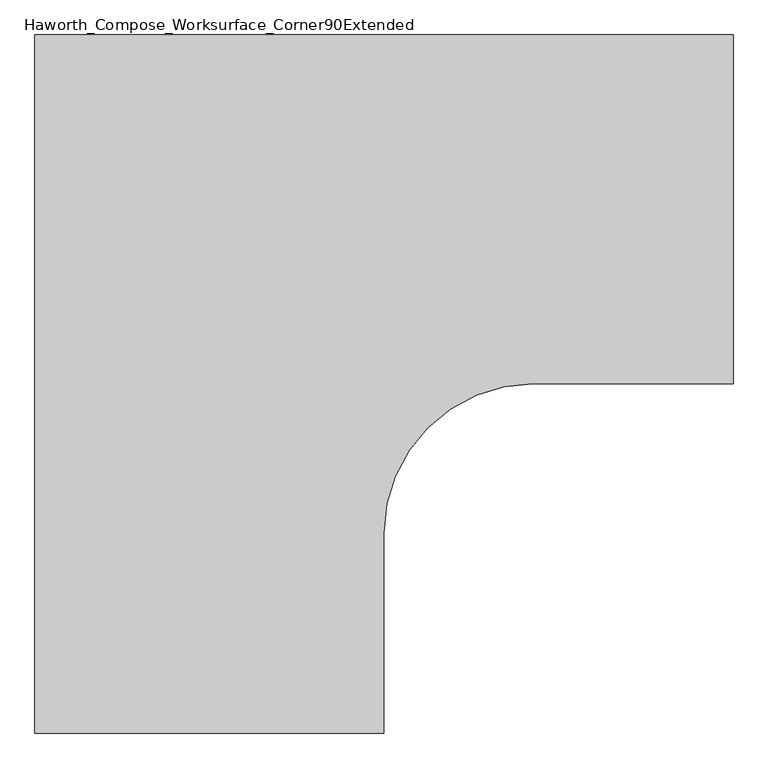
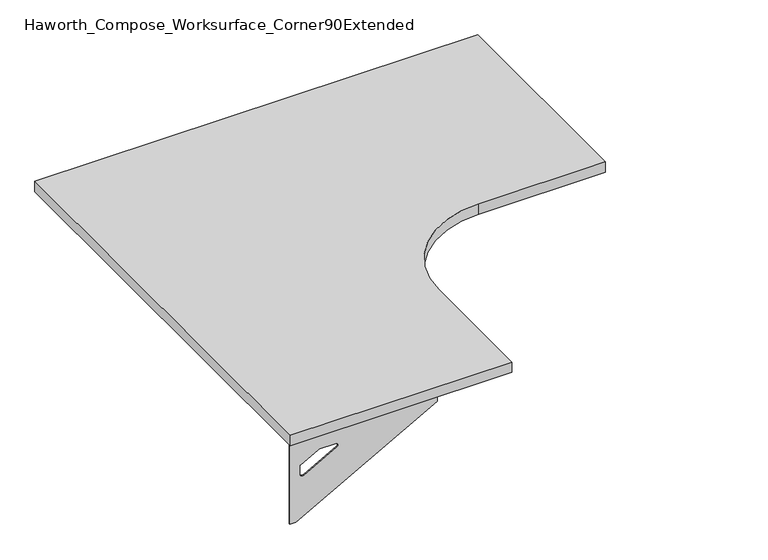
"""IFC4 building model written with IfcOpenShell, lengths in millimetres: furniture geometry, Haworth_Compose_Worksurface_Corner90Extended."""

from ifc_helpers import new_model, si_unit, point, frame, frame_2d, origin, place, context, project, spatial, polyline, circle_curve, trimmed, segment, composite_curve, outline, extrude, source, transform, mapped, element, save
from ifc_brep_helpers import plane_surface, revolved_surface, advanced_brep


def haworth_compose_worksurface_corner90extended_2f9290fc(model_context):
    return source(origin(), model_context, "Body", "SolidModel", [
        advanced_brep(
        [(756.44375, 152.4, 475.45625), (756.44375, 136.525, 475.45625), (756.44375, -254.0, 691.7192568), (756.44375, -254.0, 704.05625), (756.44375, 136.525, 704.05625), (756.44375, 152.4, 704.05625), (756.44375, 69.090072, 665.95625), (756.44375, 25.4355284, 665.95625), (756.44375, 22.7564235, 656.3705539), (756.44375, 114.4776173, 605.5776439), (756.44375, 123.825, 611.1756969), (756.44375, 123.825, 634.6860246), (756.44375, 122.0730055, 637.5242776), (756.44375, 72.1663437, 665.1613425), (758.825, 152.4, 475.45625), (758.825, 152.4, 704.05625), (758.825, 136.525, 704.05625), (758.825, 136.525, 706.4375), (758.825, -254.0, 706.4375), (758.825, -254.0, 691.7192568), (758.825, 136.525, 475.45625), (758.825, 69.090072, 665.95625), (758.825, 72.1663437, 665.1613425), (758.825, 122.0730055, 637.5242776), (758.825, 123.825, 634.6860246), (758.825, 123.825, 611.1756969), (758.825, 114.4776173, 605.5776439), (758.825, 22.7564235, 656.3705539), (758.825, 25.4355284, 665.95625), (717.55, -254.0, 706.4375), (717.55, -254.0, 704.05625), (717.55, 136.525, 704.05625), (717.55, 136.525, 706.4375)],
        [
            (0, 1),
            (1, 2),
            (2, 3),
            (3, 4),
            (4, 5),
            (5, 0),
            (6, 7),
            (7, 8, circle_curve(frame((756.44375, 25.4355284, 660.7890106), z_axis=(1.0, 0.0, 0.0), x_axis=(0.0, -1.0, 0.0)), 5.1672394)),
            (8, 9),
            (9, 10, circle_curve(frame((756.44375, 117.475, 611.1756969), z_axis=(1.0, 0.0, 0.0), x_axis=(0.0, -1.0, 0.0)), 6.35)),
            (10, 11),
            (11, 12, circle_curve(frame((756.44375, 120.65, 634.6860246), z_axis=(1.0, 0.0, 0.0), x_axis=(0.0, -1.0, 0.0)), 3.175)),
            (12, 13),
            (13, 6, circle_curve(frame((756.44375, 69.090072, 659.60625), z_axis=(1.0, 0.0, 0.0), x_axis=(0.0, -1.0, 0.0)), 6.35)),
            (14, 15),
            (15, 16),
            (16, 17),
            (17, 18),
            (18, 19),
            (19, 20),
            (20, 14),
            (21, 22, circle_curve(frame((758.825, 69.090072, 659.60625), z_axis=(-1.0, 0.0, 0.0), x_axis=(0.0, -1.0, 0.0)), 6.35)),
            (22, 23),
            (23, 24, circle_curve(frame((758.825, 120.65, 634.6860246), z_axis=(-1.0, 0.0, 0.0), x_axis=(0.0, -1.0, 0.0)), 3.175)),
            (24, 25),
            (25, 26, circle_curve(frame((758.825, 117.475, 611.1756969), z_axis=(-1.0, 0.0, 0.0), x_axis=(0.0, -1.0, 0.0)), 6.35)),
            (26, 27),
            (27, 28, circle_curve(frame((758.825, 25.4355284, 660.7890106), z_axis=(-1.0, 0.0, 0.0), x_axis=(0.0, -1.0, 0.0)), 5.1672394)),
            (28, 21),
            (4, 16),
            (15, 5),
            (14, 0),
            (20, 1),
            (19, 2),
            (18, 29),
            (29, 30),
            (30, 3),
            (6, 21),
            (28, 7),
            (9, 26),
            (25, 10),
            (24, 11),
            (23, 12),
            (27, 8),
            (31, 4),
            (30, 31),
            (32, 29),
            (17, 32),
            (31, 32),
            (22, 13),
        ],
        [
            plane_surface(frame((756.44375, 152.4, 475.45625), z_axis=(-1.0, 0.0, 0.0), x_axis=(0.0, 1.0, 0.0))),
            plane_surface(frame((758.825, 152.4, 475.45625), z_axis=(1.0, 0.0, 0.0), x_axis=(0.0, -1.0, 0.0))),
            plane_surface(frame((758.825, -254.0, 704.05625), z_axis=(0.0, 0.0, 1.0), x_axis=(-1.0, 0.0, 0.0))),
            plane_surface(frame((758.825, 152.4, 704.05625), z_axis=(0.0, 1.0, 0.0), x_axis=(-1.0, 0.0, 0.0))),
            plane_surface(frame((758.825, 152.4, 475.45625), z_axis=(0.0, 0.0, -1.0), x_axis=(-1.0, 0.0, 0.0))),
            plane_surface(frame((758.825, 136.525, 475.45625), z_axis=(0.0, -0.4844522351345575, -0.8748177135112957), x_axis=(-1.0, 0.0, 0.0))),
            plane_surface(frame((758.825, -254.0, 691.7192568), z_axis=(0.0, -1.0, 0.0), x_axis=(-1.0, 0.0, 0.0))),
            plane_surface(frame((758.825, 69.090072, 665.95625), z_axis=(0.0, 0.0, -1.0), x_axis=(-1.0, 0.0, 0.0))),
            revolved_surface(polyline([(756.44375, 111.125, 611.1756969), (758.825, 111.125, 611.1756969)]), (758.825, 117.475, 611.1756969), (-1.0, 0.0, 0.0)),
            plane_surface(frame((758.825, 123.825, 611.1756969), z_axis=(0.0, -1.0, 0.0), x_axis=(-1.0, 0.0, 0.0))),
            revolved_surface(polyline([(756.44375, 117.47500000000001, 634.6860246), (758.825, 117.47500000000001, 634.6860246)]), (758.825, 120.65, 634.6860246), (-1.0, 0.0, 0.0)),
            revolved_surface(polyline([(756.44375, 20.268289, 660.7890106), (758.825, 20.268289, 660.7890106)]), (758.825, 25.4355284, 660.7890106), (-1.0, 0.0, 0.0)),
            plane_surface(frame((758.825, 136.525, 704.05625), z_axis=(0.0, 0.0, -1.0), x_axis=(-1.0, 0.0, 0.0))),
            plane_surface(frame((758.825, 136.525, 706.4375), z_axis=(0.0, 0.0, 1.0), x_axis=(1.0, 0.0, 0.0))),
            plane_surface(frame((717.55, 136.525, 706.4375), z_axis=(0.0, 1.0, 0.0), x_axis=(0.0, 0.0, -1.0))),
            plane_surface(frame((717.55, -254.0, 706.4375), z_axis=(-1.0, 0.0, 0.0), x_axis=(0.0, 0.0, -1.0))),
            plane_surface(frame((758.825, 22.7564235, 656.3705539), z_axis=(0.0, 0.4844522351341526, 0.8748177135115199), x_axis=(-1.0, 0.0, 0.0))),
            plane_surface(frame((758.825, 122.0730055, 637.5242776), z_axis=(0.0, -0.48445223513456226, -0.874817713511293), x_axis=(-1.0, 0.0, 0.0))),
            revolved_surface(polyline([(756.44375, 62.740072000000005, 659.60625), (758.825, 62.740072000000005, 659.60625)]), (758.825, 69.090072, 659.60625), (-1.0, 0.0, 0.0)),
        ],
        [
            (0, [[1, 2, 3, 4, 5, 6], [7, 8, 9, 10, 11, 12, 13, 14]]),
            (1, [[15, 16, 17, 18, 19, 20, 21], [22, 23, 24, 25, 26, 27, 28, 29]]),
            (2, [[-5, 30, -16, 31]]),
            (3, [[-31, -15, 32, -6]]),
            (4, [[-32, -21, 33, -1]]),
            (5, [[-33, -20, 34, -2]]),
            (6, [[-34, -19, 35, 36, 37, -3]]),
            (7, [[38, -29, 39, -7]]),
            (8, [[40, -26, 41, -10]]),
            (9, [[-41, -25, 42, -11]]),
            (10, [[-42, -24, 43, -12]]),
            (11, [[-39, -28, 44, -8]]),
            (12, [[45, -4, -37, 46]]),
            (13, [[47, -35, -18, 48]]),
            (14, [[-17, -30, -45, 49, -48]]),
            (15, [[-36, -47, -49, -46]]),
            (16, [[-44, -27, -40, -9]]),
            (17, [[-43, -23, 50, -13]]),
            (18, [[-50, -22, -38, -14]]),
        ],
    ),
        advanced_brep(
        [(-457.2, -1061.24375, 475.45625), (-457.2, -1061.24375, 704.05625), (-441.325, -1061.24375, 704.05625), (-50.8, -1061.24375, 704.05625), (-50.8, -1061.24375, 691.7192568), (-441.325, -1061.24375, 475.45625), (-373.890072, -1061.24375, 665.95625), (-376.9663437, -1061.24375, 665.1613425), (-426.8730055, -1061.24375, 637.5242776), (-428.625, -1061.24375, 634.6860246), (-428.625, -1061.24375, 611.1756969), (-419.2776173, -1061.24375, 605.5776439), (-327.5564235, -1061.24375, 656.3705539), (-330.2355284, -1061.24375, 665.95625), (-457.2, -1063.625, 475.45625), (-441.325, -1063.625, 475.45625), (-50.8, -1063.625, 691.7192568), (-50.8, -1063.625, 706.4375), (-441.325, -1063.625, 706.4375), (-441.325, -1063.625, 704.05625), (-457.2, -1063.625, 704.05625), (-373.890072, -1063.625, 665.95625), (-330.2355284, -1063.625, 665.95625), (-327.5564235, -1063.625, 656.3705539), (-419.2776173, -1063.625, 605.5776439), (-428.625, -1063.625, 611.1756969), (-428.625, -1063.625, 634.6860246), (-426.8730055, -1063.625, 637.5242776), (-376.9663437, -1063.625, 665.1613425), (-50.8, -1022.35, 704.05625), (-50.8, -1022.35, 706.4375), (-441.325, -1022.35, 704.05625), (-441.325, -1022.35, 706.4375)],
        [
            (0, 1),
            (1, 2),
            (2, 3),
            (3, 4),
            (4, 5),
            (5, 0),
            (6, 7, circle_curve(frame((-373.890072, -1061.24375, 659.60625), z_axis=(0.0, -1.0, 0.0), x_axis=(1.0, 0.0, 0.0)), 6.35)),
            (7, 8),
            (8, 9, circle_curve(frame((-425.45, -1061.24375, 634.6860246), z_axis=(0.0, -1.0, 0.0), x_axis=(1.0, 0.0, 0.0)), 3.175)),
            (9, 10),
            (10, 11, circle_curve(frame((-422.275, -1061.24375, 611.1756969), z_axis=(0.0, -1.0, 0.0), x_axis=(1.0, 0.0, 0.0)), 6.35)),
            (11, 12),
            (12, 13, circle_curve(frame((-330.2355284, -1061.24375, 660.7890106), z_axis=(0.0, -1.0, 0.0), x_axis=(1.0, 0.0, 0.0)), 5.1672394)),
            (13, 6),
            (14, 15),
            (15, 16),
            (16, 17),
            (17, 18),
            (18, 19),
            (19, 20),
            (20, 14),
            (21, 22),
            (22, 23, circle_curve(frame((-330.2355284, -1063.625, 660.7890106), z_axis=(0.0, 1.0, 0.0), x_axis=(1.0, 0.0, 0.0)), 5.1672394)),
            (23, 24),
            (24, 25, circle_curve(frame((-422.275, -1063.625, 611.1756969), z_axis=(0.0, 1.0, 0.0), x_axis=(1.0, 0.0, 0.0)), 6.35)),
            (25, 26),
            (26, 27, circle_curve(frame((-425.45, -1063.625, 634.6860246), z_axis=(0.0, 1.0, 0.0), x_axis=(1.0, 0.0, 0.0)), 3.175)),
            (27, 28),
            (28, 21, circle_curve(frame((-373.890072, -1063.625, 659.60625), z_axis=(0.0, 1.0, 0.0), x_axis=(1.0, 0.0, 0.0)), 6.35)),
            (1, 20),
            (19, 2),
            (0, 14),
            (5, 15),
            (4, 16),
            (3, 29),
            (29, 30),
            (30, 17),
            (13, 22),
            (21, 6),
            (10, 25),
            (24, 11),
            (9, 26),
            (8, 27),
            (12, 23),
            (31, 29),
            (2, 31),
            (32, 18),
            (30, 32),
            (32, 31),
            (7, 28),
        ],
        [
            plane_surface(frame((-457.2, -1061.24375, 475.45625), z_axis=(0.0, 1.0, 0.0), x_axis=(-1.0, 0.0, 0.0))),
            plane_surface(frame((-457.2, -1063.625, 475.45625), z_axis=(0.0, -1.0, 0.0), x_axis=(1.0, 0.0, 0.0))),
            plane_surface(frame((-50.8, -1063.625, 704.05625), z_axis=(0.0, 0.0, 1.0), x_axis=(0.0, 1.0, 0.0))),
            plane_surface(frame((-457.2, -1063.625, 704.05625), z_axis=(-1.0, 0.0, 0.0), x_axis=(0.0, 1.0, 0.0))),
            plane_surface(frame((-457.2, -1063.625, 475.45625), z_axis=(0.0, 0.0, -1.0), x_axis=(0.0, 1.0, 0.0))),
            plane_surface(frame((-441.325, -1063.625, 475.45625), z_axis=(0.4844522351345575, 0.0, -0.8748177135112957), x_axis=(0.0, 1.0, 0.0))),
            plane_surface(frame((-50.8, -1063.625, 691.7192568), z_axis=(1.0, 0.0, 0.0), x_axis=(0.0, 1.0, 0.0))),
            plane_surface(frame((-373.890072, -1063.625, 665.95625), z_axis=(0.0, 0.0, -1.0), x_axis=(0.0, 1.0, 0.0))),
            revolved_surface(polyline([(-415.92499999999995, -1061.24375, 611.1756969), (-415.92499999999995, -1063.625, 611.1756969)]), (-422.275, -1063.625, 611.1756969), (0.0, 1.0, 0.0)),
            plane_surface(frame((-428.625, -1063.625, 611.1756969), z_axis=(1.0, 0.0, 0.0), x_axis=(0.0, 1.0, 0.0))),
            revolved_surface(polyline([(-422.275, -1061.24375, 634.6860246), (-422.275, -1063.625, 634.6860246)]), (-425.45, -1063.625, 634.6860246), (0.0, 1.0, 0.0)),
            revolved_surface(polyline([(-325.06828900000005, -1061.24375, 660.7890106), (-325.06828900000005, -1063.625, 660.7890106)]), (-330.2355284, -1063.625, 660.7890106), (0.0, 1.0, 0.0)),
            plane_surface(frame((-441.325, -1063.625, 704.05625), z_axis=(0.0, 0.0, -1.0), x_axis=(0.0, 1.0, 0.0))),
            plane_surface(frame((-441.325, -1063.625, 706.4375), z_axis=(0.0, 0.0, 1.0), x_axis=(0.0, -1.0, 0.0))),
            plane_surface(frame((-441.325, -1022.35, 706.4375), z_axis=(-1.0, 0.0, 0.0), x_axis=(0.0, 0.0, -1.0))),
            plane_surface(frame((-50.8, -1022.35, 706.4375), z_axis=(0.0, 1.0, 0.0), x_axis=(0.0, 0.0, -1.0))),
            plane_surface(frame((-327.5564235, -1063.625, 656.3705539), z_axis=(-0.4844522351341526, 0.0, 0.8748177135115199), x_axis=(0.0, 1.0, 0.0))),
            plane_surface(frame((-426.8730055, -1063.625, 637.5242776), z_axis=(0.48445223513456226, 0.0, -0.874817713511293), x_axis=(0.0, 1.0, 0.0))),
            revolved_surface(polyline([(-367.54007199999995, -1061.24375, 659.60625), (-367.54007199999995, -1063.625, 659.60625)]), (-373.890072, -1063.625, 659.60625), (0.0, 1.0, 0.0)),
        ],
        [
            (0, [[1, 2, 3, 4, 5, 6], [7, 8, 9, 10, 11, 12, 13, 14]]),
            (1, [[15, 16, 17, 18, 19, 20, 21], [22, 23, 24, 25, 26, 27, 28, 29]]),
            (2, [[30, -20, 31, -2]]),
            (3, [[-1, 32, -21, -30]]),
            (4, [[-6, 33, -15, -32]]),
            (5, [[-5, 34, -16, -33]]),
            (6, [[-4, 35, 36, 37, -17, -34]]),
            (7, [[-14, 38, -22, 39]]),
            (8, [[-11, 40, -25, 41]]),
            (9, [[-10, 42, -26, -40]]),
            (10, [[-9, 43, -27, -42]]),
            (11, [[-13, 44, -23, -38]]),
            (12, [[45, -35, -3, 46]]),
            (13, [[47, -18, -37, 48]]),
            (14, [[-47, 49, -46, -31, -19]]),
            (15, [[-45, -49, -48, -36]]),
            (16, [[-12, -41, -24, -44]]),
            (17, [[-8, 50, -28, -43]]),
            (18, [[-7, -39, -29, -50]]),
        ],
    ),
        extrude(outline(composite_curve([segment(polyline([(-457.2, 152.4), (762.0, 152.4), (762.0, -457.2), (412.75, -457.2)]), True, "CONTINUOUS"), segment(trimmed(circle_curve(frame_2d((412.75, -717.55)), 260.35), [point((412.75, -457.2))], [point((152.4, -717.55))], True, "CARTESIAN"), True, "CONTINUOUS"), segment(polyline([(152.4, -717.55), (152.4, -1066.8), (-457.2, -1066.8), (-457.2, 152.4)]), True, "CONTINUOUS")], self_intersect=False)), frame((0.0, 0.0, 706.4375), z_axis=(0.0, 0.0, 1.0), x_axis=(1.0, 0.0, 0.0)), (0.0, 0.0, 1.0), 30.1625),
    ])


if __name__ == "__main__":
    model = new_model("IFC4")
    model_context = context("Model", 3, world=origin())
    ifc_project = project(units=[si_unit("LENGTHUNIT", "METRE", prefix="MILLI")], contexts=[model_context])
    site = spatial("IfcSite", under=ifc_project)
    building = spatial("IfcBuilding", under=site)
    placement = place(None, origin())
    haworth_compose_worksurface_corner90extended_shape = haworth_compose_worksurface_corner90extended_2f9290fc(model_context)
    element("IfcFurniture", 1, ObjectType="Haworth_Compose_Worksurface_Corner90Extended", at=placement, inside=building, context=model_context, shape_type="MappedRepresentation", body=[
        mapped(haworth_compose_worksurface_corner90extended_shape, transform((0.0, 0.0, 0.0), x_axis=(1.0, 0.0, 0.0), y_axis=(0.0, 1.0, 0.0), z_axis=(0.0, 0.0, 1.0))),
    ])
    save(model, "model.ifc")
